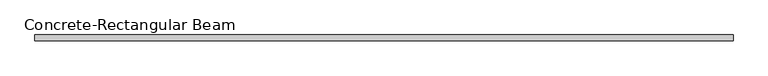
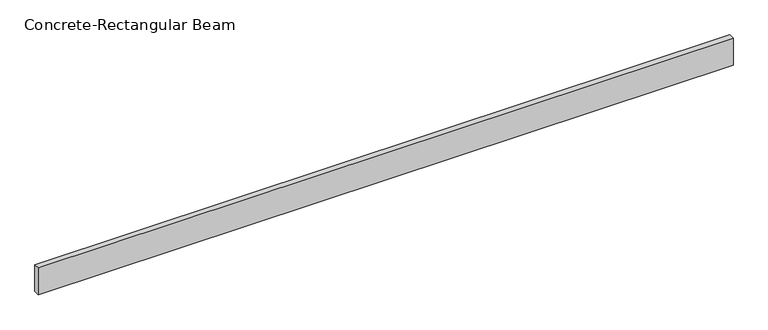
"""IFC4 building model written with IfcOpenShell, lengths in millimetres: beam geometry, Concrete-Rectangular Beam."""

from ifc_helpers import new_model, si_unit, frame, origin, place, context, project, spatial, polyline, outline, extrude, source, transform, mapped, element, save


def concrete_rectangular_beam_965868dd(model_context):
    return source(origin(), model_context, "Body", "SweptSolid", [
        extrude(outline(polyline([(3050.0, 25.0), (3050.0, -25.0), (-3050.0, -25.0), (-3050.0, 25.0), (3050.0, 25.0)])), frame((0.0, 0.0, -125.0), z_axis=(0.0, 0.0, 1.0), x_axis=(1.0, 0.0, 0.0)), (0.0, 0.0, 1.0), 250.0),
    ])


if __name__ == "__main__":
    model = new_model("IFC4")
    model_context = context("Model", 3, world=origin())
    ifc_project = project(units=[si_unit("LENGTHUNIT", "METRE", prefix="MILLI")], contexts=[model_context])
    site = spatial("IfcSite", under=ifc_project)
    building = spatial("IfcBuilding", under=site)
    placement = place(None, origin())
    concrete_rectangular_beam_shape = concrete_rectangular_beam_965868dd(model_context)
    element("IfcBeam", 1, ObjectType="Concrete-Rectangular Beam", at=placement, inside=building, context=model_context, shape_type="MappedRepresentation", body=[
        mapped(concrete_rectangular_beam_shape, transform((0.0, 0.0, 0.0), x_axis=(1.0, 0.0, 0.0), y_axis=(0.0, 1.0, 0.0), z_axis=(0.0, 0.0, 1.0))),
    ])
    save(model, "model.ifc")
